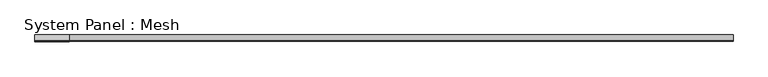
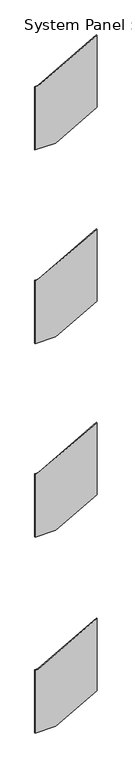
"""IFC4 building model written with IfcOpenShell, lengths in millimetres: plate geometry, System Panel : Mesh."""

from ifc_helpers import new_model, si_unit, frame, origin, place, context, project, spatial, polyline, outline, extrude, source, transform, mapped, element, save


def system_panel_mesh_ad1335dd(model_context):
    return source(origin(), model_context, "Body", "SweptSolid", [
        extrude(outline(polyline([(12962.1230769, -652.5193687), (12962.1230769, -224.3768995), (13449.7905499, 652.5193687), (15051.7230769, 652.5193687), (14362.1230769, -587.4806313), (14362.1230769, -652.5193687), (12962.1230769, -652.5193687)])), frame((0.0, -5.0, 0.0), z_axis=(0.0, 1.0, 0.0), x_axis=(0.0, 0.0, 1.0)), (0.0, 0.0, 1.0), 10.0),
        extrude(outline(polyline([(8656.9230769, -652.5193687), (8656.9230769, -224.5096476), (9143.5327247, 652.5193687), (10744.5880478, 652.5193687), (10056.9230769, -586.8767997), (10056.9230769, -652.5193687), (8656.9230769, -652.5193687)])), frame((0.0, -5.0, 0.0), z_axis=(0.0, 1.0, 0.0), x_axis=(0.0, 0.0, 1.0)), (0.0, 0.0, 1.0), 10.0),
        extrude(outline(polyline([(0.0, -652.5193687), (0.0, -223.9825188), (489.362096, 652.5193687), (2092.7826649, 652.5193687), (1400.0, -588.33136), (1400.0, -652.5193687), (0.0, -652.5193687)])), frame((0.0, -5.0, 0.0), z_axis=(0.0, 1.0, 0.0), x_axis=(0.0, 0.0, 1.0)), (0.0, 0.0, 1.0), 10.0),
        extrude(outline(polyline([(4356.9230769, -652.5193687), (4356.9230769, -224.5096476), (4843.5327247, 652.5193687), (6444.5880478, 652.5193687), (5756.9230769, -586.8767997), (5756.9230769, -652.5193687), (4356.9230769, -652.5193687)])), frame((0.0, -5.0, 0.0), z_axis=(0.0, 1.0, 0.0), x_axis=(0.0, 0.0, 1.0)), (0.0, 0.0, 1.0), 10.0),
    ])


if __name__ == "__main__":
    model = new_model("IFC4")
    model_context = context("Model", 3, world=origin())
    ifc_project = project(units=[si_unit("LENGTHUNIT", "METRE", prefix="MILLI")], contexts=[model_context])
    site = spatial("IfcSite", under=ifc_project)
    building = spatial("IfcBuilding", under=site)
    placement = place(None, origin())
    system_panel_mesh_shape = system_panel_mesh_ad1335dd(model_context)
    element("IfcPlate", 1, ObjectType="System Panel : Mesh", at=placement, inside=building, context=model_context, shape_type="MappedRepresentation", body=[
        mapped(system_panel_mesh_shape, transform((0.0, 0.0, 0.0), x_axis=(1.0, 0.0, 0.0), y_axis=(0.0, 1.0, 0.0), z_axis=(0.0, 0.0, 1.0))),
    ])
    save(model, "model.ifc")
